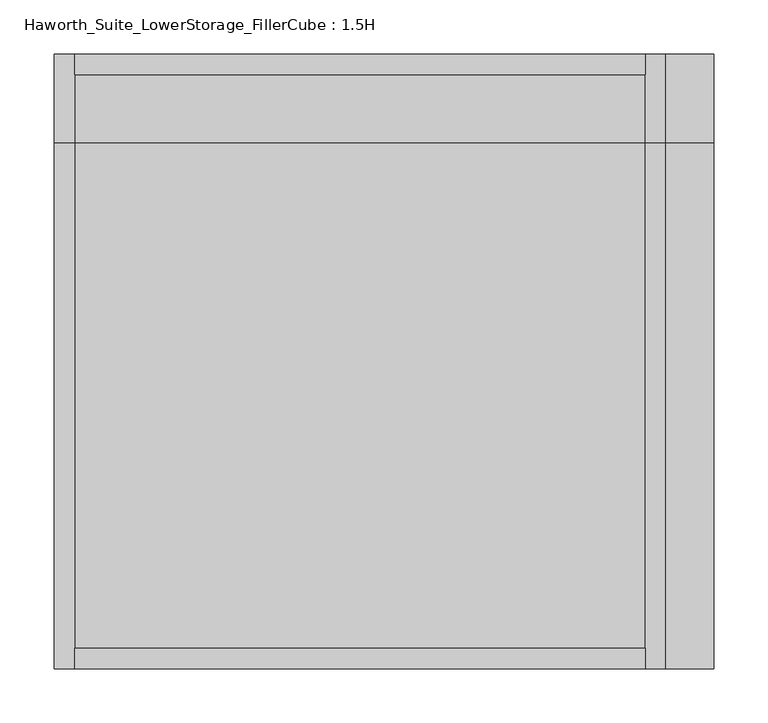
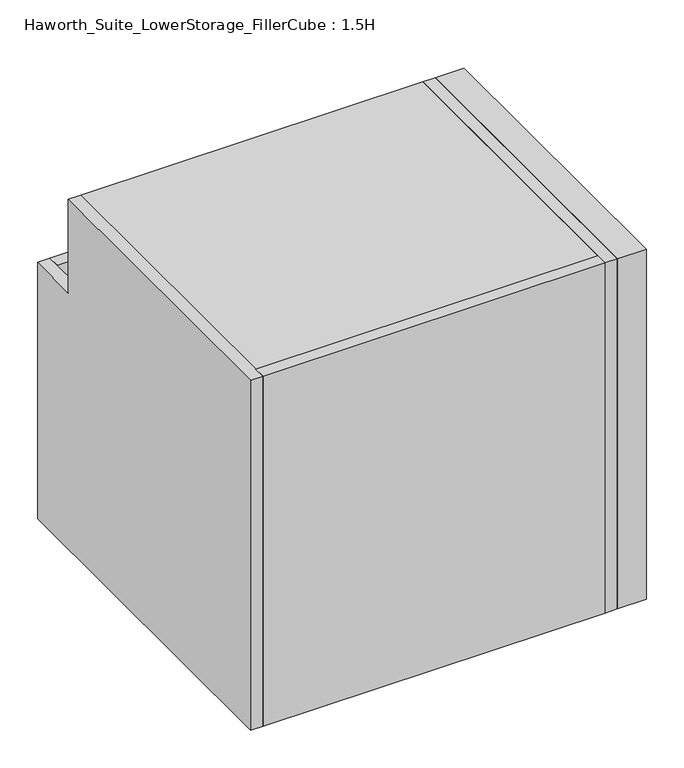
"""IFC4 building model written with IfcOpenShell, lengths in millimetres: furniture geometry, Haworth_Suite_LowerStorage_FillerCube : 1.5H."""

from ifc_helpers import new_model, si_unit, frame, origin, origin_with_axes, place, context, project, spatial, polyline, outline, extrude, source, transform, mapped, element, save


def haworth_suite_lowerstorage_fillercube_1_5h_ca62a70f(model_context):
    return source(origin(), model_context, "Body", "SweptSolid", [
        extrude(outline(polyline([(228.6, -50.8), (-298.45, -50.8), (-298.45, -31.75), (228.6, -31.75), (228.6, -50.8)])), origin_with_axes(), (0.0, 0.0, 1.0), 417.5125),
        extrude(outline(polyline([(228.6, -581.025), (228.6, -600.075), (-298.45, -600.075), (-298.45, -581.025), (228.6, -581.025)])), origin_with_axes(), (0.0, 0.0, 1.0), 569.9125),
        extrude(outline(polyline([(-31.75, 0.0), (-600.075, 0.0), (-600.075, 569.9125), (-114.3, 569.9125), (-114.3, 417.5125), (-31.75, 417.5125), (-31.75, 0.0)])), frame((247.65, 0.0, 0.0), z_axis=(1.0, 0.0, 0.0), x_axis=(0.0, 1.0, 0.0)), (0.0, 0.0, 1.0), 44.45),
        extrude(outline(polyline([(-31.75, 0.0), (-600.075, 0.0), (-600.075, 569.9125), (-114.3, 569.9125), (-114.3, 417.5125), (-31.75, 417.5125), (-31.75, 0.0)])), frame((228.6, 0.0, 0.0), z_axis=(1.0, 0.0, 0.0), x_axis=(0.0, 1.0, 0.0)), (0.0, 0.0, 1.0), 19.05),
        extrude(outline(polyline([(-31.75, 0.0), (-600.075, 0.0), (-600.075, 569.9125), (-114.3, 569.9125), (-114.3, 417.5125), (-31.75, 417.5125), (-31.75, 0.0)])), frame((-317.5, 0.0, 0.0), z_axis=(1.0, 0.0, 0.0), x_axis=(0.0, 1.0, 0.0)), (0.0, 0.0, 1.0), 19.05),
        extrude(outline(polyline([(228.6, -114.3), (228.6, -581.025), (-298.45, -581.025), (-298.45, -114.3), (228.6, -114.3)])), frame((0.0, 0.0, 550.8625), z_axis=(0.0, 0.0, 1.0), x_axis=(1.0, 0.0, 0.0)), (0.0, 0.0, 1.0), 19.05),
        extrude(outline(polyline([(228.6, -31.75), (228.6, -581.025), (-298.45, -581.025), (-298.45, -31.75), (228.6, -31.75)])), origin_with_axes(), (0.0, 0.0, 1.0), 38.1),
    ])


if __name__ == "__main__":
    model = new_model("IFC4")
    model_context = context("Model", 3, world=origin())
    ifc_project = project(units=[si_unit("LENGTHUNIT", "METRE", prefix="MILLI")], contexts=[model_context])
    site = spatial("IfcSite", under=ifc_project)
    building = spatial("IfcBuilding", under=site)
    placement = place(None, origin())
    haworth_suite_lowerstorage_fillercube_1_5h_shape = haworth_suite_lowerstorage_fillercube_1_5h_ca62a70f(model_context)
    element("IfcFurniture", 1, ObjectType="Haworth_Suite_LowerStorage_FillerCube : 1.5H", at=placement, inside=building, context=model_context, shape_type="MappedRepresentation", body=[
        mapped(haworth_suite_lowerstorage_fillercube_1_5h_shape, transform((0.0, 0.0, 0.0), x_axis=(1.0, 0.0, 0.0), y_axis=(0.0, 1.0, 0.0), z_axis=(0.0, 0.0, 1.0))),
    ])
    save(model, "model.ifc")
